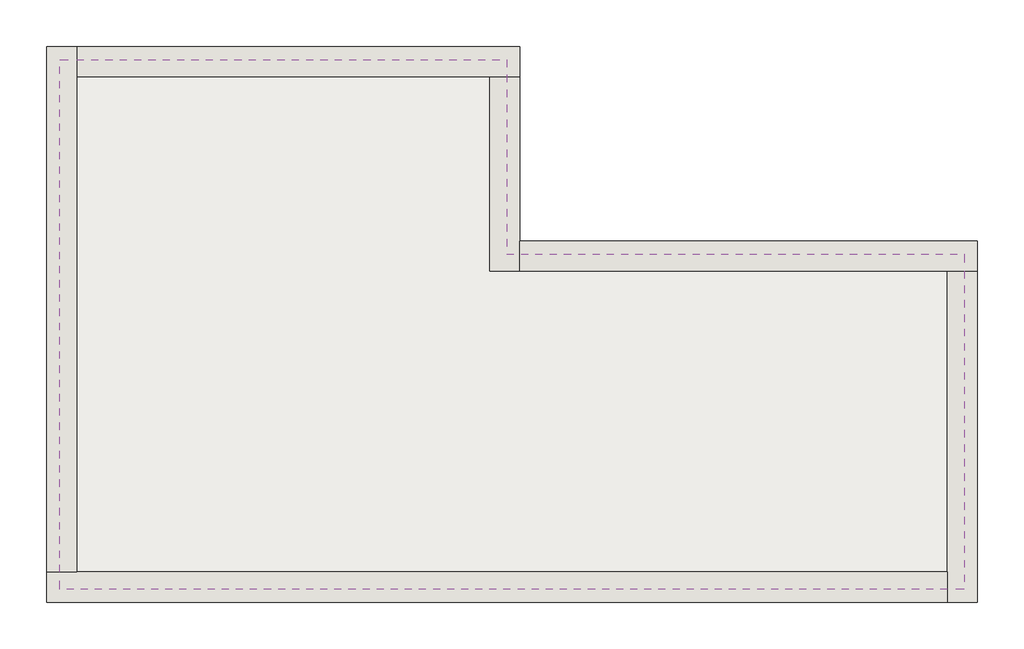
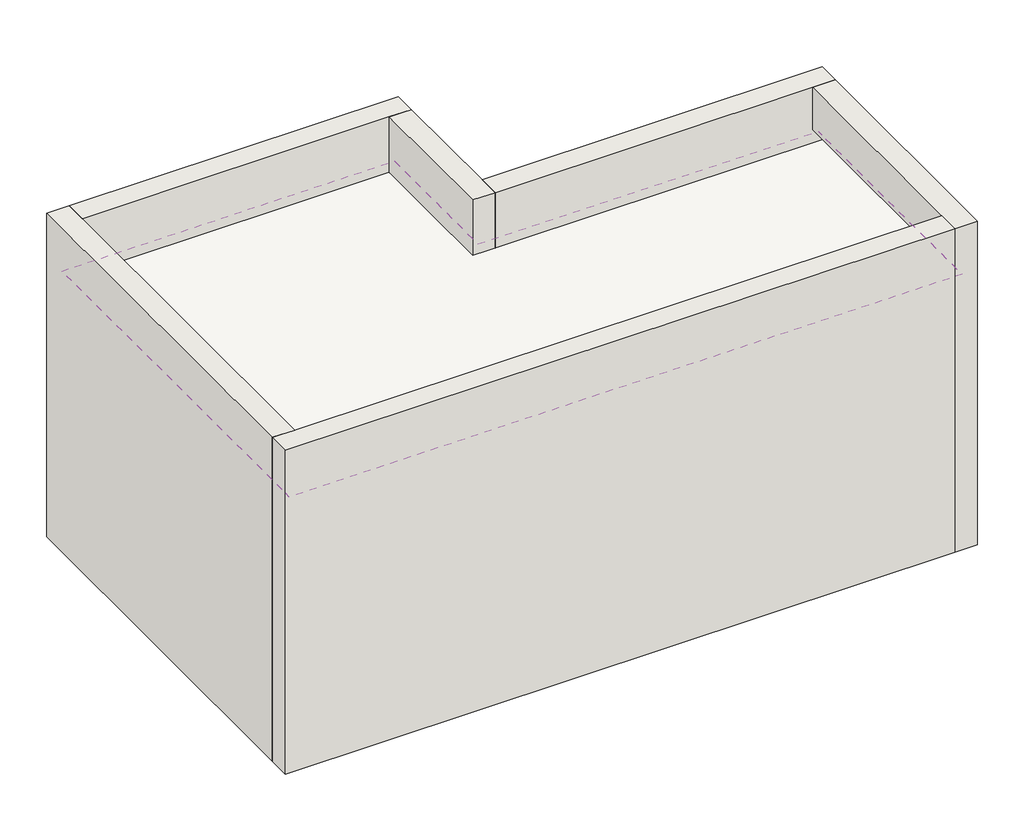
# Not in any storey: 6 walls, 3 slabs, 1 roof.
"""IFC4 building model written with IfcOpenShell, lengths in millimetres."""

import ifcopenshell
import ifcopenshell.guid

model = None  # the IFC model being written
_history = None  # IfcOwnerHistory: only IFC2X3 demands one
_inside = {}  # id of a spatial element -> (the spatial element, [elements in it])
_under = {}  # id of a project, library or spatial element -> (it, [spatial elements below it])
_declared = {}  # id of a project -> (the project, [libraries it declares])
_typed = {}  # id of a type object -> (the type object, [elements of that type])
_made_of = {}  # id of a material, layer set ... -> (it, [elements and type objects made of it])


def new_model(schema):
    """Start an empty IFC model of exactly this schema.

    Asked for "IFC4X3", IfcOpenShell would pick the latest addendum, in which some entities
    have other attributes; the version numbers below select the first issue.
    IFC2X3 requires an IfcOwnerHistory on every rooted entity: one is made here for all.
    """
    global model, _history
    if schema == "IFC4X3":
        model = ifcopenshell.file(schema_version=(4, 3, 0, 0))
    else:
        model = ifcopenshell.file(schema=schema)
    _inside.clear()
    _under.clear()
    _declared.clear()
    _typed.clear()
    _made_of.clear()
    _history = None
    if model.schema == "IFC2X3":
        org = make("IfcOrganization", Name="unknown")
        user = make(
            "IfcPersonAndOrganization",
            ThePerson=make("IfcPerson", FamilyName="unknown"),
            TheOrganization=org,
        )
        app = make(
            "IfcApplication",
            ApplicationDeveloper=org,
            Version="unknown",
            ApplicationFullName="unknown",
            ApplicationIdentifier="unknown",
        )
        _history = make(
            "IfcOwnerHistory",
            OwningUser=user,
            OwningApplication=app,
            ChangeAction="ADDED",
            CreationDate=0,
        )
    return model


def make(cls, **values):
    """One entity of the class cls with the attributes given. An attribute that is None is left unset."""
    return model.create_entity(
        cls, **{name: value for name, value in values.items() if value is not None}
    )


def rooted(cls, **values):
    """An entity with a GlobalId (a new one), such as an element, a storey or a relation."""
    return make(cls, GlobalId=ifcopenshell.guid.new(), OwnerHistory=_history, **values)


def si_unit(unit_type, name, prefix=None):
    """IfcSIUnit, for example si_unit("LENGTHUNIT", "METRE", prefix="MILLI")."""
    return make("IfcSIUnit", UnitType=unit_type, Prefix=prefix, Name=name)


def assignment(units):
    """IfcUnitAssignment: the units of a project."""
    return None if units is None else make("IfcUnitAssignment", Units=units)


def point(xyz):
    """IfcCartesianPoint."""
    return None if xyz is None else make("IfcCartesianPoint", Coordinates=xyz)


def direction(xyz):
    """IfcDirection."""
    return None if xyz is None else make("IfcDirection", DirectionRatios=xyz)


def frame(location, z_axis=None, x_axis=None):
    """IfcAxis2Placement3D, a coordinate frame: its origin and axes. An axis left out is left unset."""
    return make(
        "IfcAxis2Placement3D",
        Location=point(location),
        Axis=direction(z_axis),
        RefDirection=direction(x_axis),
    )


def origin():
    """The frame at (0, 0, 0) with its axes left unset."""
    return frame((0.0, 0.0, 0.0))


def place(relative_to, where):
    """IfcLocalPlacement: puts the frame where relative to a parent placement (None: the world)."""
    return make(
        "IfcLocalPlacement", PlacementRelTo=relative_to, RelativePlacement=where
    )


def context(
    kind, dimensions, precision=None, world=None, true_north=None, identifier=None
):
    """IfcGeometricRepresentationContext, for example the 3D "Model" context."""
    return make(
        "IfcGeometricRepresentationContext",
        ContextIdentifier=identifier,
        ContextType=kind,
        CoordinateSpaceDimension=dimensions,
        Precision=precision,
        WorldCoordinateSystem=world,
        TrueNorth=true_north,
    )


def project(units=None, contexts=None):
    """IfcProject with its units and contexts."""
    return rooted(
        "IfcProject",
        Name="project",
        RepresentationContexts=contexts,
        UnitsInContext=assignment(units),
    )


def spatial(cls, under=None, at=None, **own):
    """A site, building, storey or space (cls), placed at a placement, below another one or the project."""
    s = rooted(cls, ObjectPlacement=at, **own)
    if under is not None:
        _under.setdefault(under.id(), (under, []))[1].append(s)
    return s


def polyline(points):
    """IfcPolyline through the points."""
    return make("IfcPolyline", Points=[point(p) for p in points])


def outline(outer, holes=None, kind="AREA"):
    """IfcArbitraryClosedProfileDef: a profile drawn as a closed curve; with holes, ...WithVoids."""
    if holes is None:
        return make("IfcArbitraryClosedProfileDef", ProfileType=kind, OuterCurve=outer)
    return make(
        "IfcArbitraryProfileDefWithVoids",
        ProfileType=kind,
        OuterCurve=outer,
        InnerCurves=holes,
    )


def extrude(swept, where, along, depth):
    """IfcExtrudedAreaSolid: the profile swept, set in the frame where, extruded along a direction by depth."""
    return make(
        "IfcExtrudedAreaSolid",
        SweptArea=swept,
        Position=where,
        ExtrudedDirection=direction(along),
        Depth=depth,
    )


def faces_of(points, faces, orient=None, outer=None):
    """IfcFace entities. A face is a list of loops; a loop is a list of indices into points, from 0.

    orient and outer hold one flag for each loop. By default every Orientation is true, the
    first loop of a face is its IfcFaceOuterBound and the others are IfcFaceBound.
    """
    made = []
    for i, loops in enumerate(faces):
        bounds = []
        for j, loop in enumerate(loops):
            is_outer = j == 0 if outer is None else outer[i][j]
            bounds.append(
                make(
                    "IfcFaceOuterBound" if is_outer else "IfcFaceBound",
                    Bound=make("IfcPolyLoop", Polygon=[points[k] for k in loop]),
                    Orientation=True if orient is None else orient[i][j],
                )
            )
        made.append(make("IfcFace", Bounds=bounds))
    return made


def faceted_brep(points, faces, orient=None, outer=None, voids=None):
    """IfcFacetedBrep: a solid bounded by flat faces; with voids (closed shells), ...WithVoids."""
    shared = [point(p) for p in points]
    hull = make("IfcClosedShell", CfsFaces=faces_of(shared, faces, orient, outer))
    if voids is None:
        return make("IfcFacetedBrep", Outer=hull)
    return make(
        "IfcFacetedBrepWithVoids",
        Outer=hull,
        Voids=[
            make(cls, CfsFaces=faces_of(shared, fs, o, b)) for cls, fs, o, b in voids
        ],
    )


def shape(context_of_items, identifier, shape_type, items):
    """IfcShapeRepresentation: the items that make up one representation, for example the "Body"."""
    return make(
        "IfcShapeRepresentation",
        ContextOfItems=context_of_items,
        RepresentationIdentifier=identifier,
        RepresentationType=shape_type,
        Items=items,
    )


def made_of(thing, what):
    """Note that an element or type object is made of a material, layer set ...; save() writes the relation."""
    if what is not None:
        _made_of.setdefault(what.id(), (what, []))[1].append(thing)
    return thing


def element(
    cls,
    number,
    at=None,
    inside=None,
    cuts=None,
    type_object=None,
    material=None,
    context=None,
    identifier="Body",
    shape_type=None,
    held_by="IfcProductDefinitionShape",
    body=None,
    shapes=None,
    **own,
):
    """One element of the class cls, such as IfcWall. Its Tag is "e" and its number.

    at: its placement. inside: the storey or other place that contains it. cuts: it is an
    opening in that element (IfcRelVoidsElement). A single representation is given by context,
    identifier, shape_type and body (its items); several are given by shapes. held_by: the class
    of the entity that holds the representations. save() writes the other relations.
    """
    e = rooted(cls, Tag="e%d" % number, ObjectPlacement=at, **own)
    if body is not None:
        shapes = [shape(context, identifier, shape_type, body)]
    if shapes is not None:
        e.Representation = make(held_by, Representations=shapes)
    if inside is not None:
        _inside.setdefault(inside.id(), (inside, []))[1].append(e)
    if cuts is not None:
        rooted(
            "IfcRelVoidsElement", RelatingBuildingElement=cuts, RelatedOpeningElement=e
        )
    if type_object is not None:
        _typed.setdefault(type_object.id(), (type_object, []))[1].append(e)
    return made_of(e, material)


def aggregate(whole, parts):
    """IfcRelAggregates: a whole, such as a stair, and the parts it consists of."""
    return rooted("IfcRelAggregates", RelatingObject=whole, RelatedObjects=parts)


def save(model, path):
    """Write the relations noted so far, then the file.

    IfcRelAggregates (storeys below a building ...), IfcRelContainedInSpatialStructure (elements
    in a storey), IfcRelDefinesByType, IfcRelAssociatesMaterial and IfcRelDeclares: one each for
    every whole, place, type object, material and project.
    """
    for whole, parts in _under.values():
        aggregate(whole, parts)
    for where, things in _inside.values():
        rooted(
            "IfcRelContainedInSpatialStructure",
            RelatedElements=things,
            RelatingStructure=where,
        )
    for kind, things in _typed.values():
        rooted("IfcRelDefinesByType", RelatedObjects=things, RelatingType=kind)
    for what, things in _made_of.values():
        rooted("IfcRelAssociatesMaterial", RelatedObjects=things, RelatingMaterial=what)
    for by, libraries in _declared.values():
        rooted("IfcRelDeclares", RelatingContext=by, RelatedDefinitions=libraries)
    model.write(path)


model = new_model("IFC4")

# Units and contexts
model_context = context("Model", 3, world=origin())
ifc_project = project(units=[si_unit("LENGTHUNIT", "METRE", prefix="MILLI")], contexts=[model_context])

# Site, building
site = spatial("IfcSite", under=ifc_project)
building = spatial("IfcBuilding", under=site)

# Roof
placement = place(None, origin())
element("IfcRoof", 1, at=placement, inside=building, context=model_context, shape_type="Brep", body=[
    faceted_brep([(1263.7535563, 9638.7987776, 5800.0), (1523.7535563, 9638.7987776, 5800.0), (8063.7535563, 9638.7987776, 5800.0), (8063.7535563, 6678.7987776, 5800.0), (15023.7535563, 6678.7987776, 5800.0), (15023.7535563, 6418.7987776, 5800.0), (15023.7535563, 1578.7987776, 5800.0), (14763.7535563, 1578.7987776, 5800.0), (1263.7535563, 1578.7987776, 5800.0), (1263.7535563, 1838.7987776, 5800.0), (8063.7535563, 9638.7987776, 6080.0), (1523.7535563, 9638.7987776, 6080.0), (1263.7535563, 9638.7987776, 6080.0), (1263.7535563, 1838.7987776, 6080.0), (1263.7535563, 1578.7987776, 6080.0), (14763.7535563, 1578.7987776, 6080.0), (15023.7535563, 1578.7987776, 6080.0), (15023.7535563, 6418.7987776, 6080.0), (15023.7535563, 6678.7987776, 6080.0), (8063.7535563, 6678.7987776, 6080.0)], [[[0, 1, 2, 3, 4, 5, 6, 7, 8, 9]], [[10, 11, 12, 13, 14, 15, 16, 17, 18, 19]], [[12, 11, 10, 2, 1, 0]], [[14, 13, 12, 0, 9, 8]], [[16, 15, 14, 8, 7, 6]], [[18, 17, 16, 6, 5, 4]], [[19, 18, 4, 3]], [[10, 19, 3, 2]]]),
])

# Slabs
element("IfcSlab", 2, ObjectType="FB 200 leer", at=placement, inside=building, context=model_context, shape_type="SweptSolid", body=[
    extrude(outline(polyline([(1523.7535563, 9378.7987776), (7803.7535563, 9378.7987776), (7803.7535563, 6418.7987776), (14763.7535563, 6418.7987776), (14763.7535563, 1838.7987776), (1523.7535563, 1838.7987776), (1523.7535563, 9378.7987776)])), frame((0.0, 0.0, 2800.0), z_axis=(0.0, 0.0, 1.0), x_axis=(1.0, 0.0, 0.0)), (0.0, 0.0, 1.0), 200.0),
])
element("IfcSlab", 3, ObjectType="STB 200", at=placement, inside=building, context=model_context, shape_type="Brep", body=[
    faceted_brep([(1223.7535563, 9678.7987776, 5600.0), (1523.7535563, 9678.7987776, 5600.0), (8103.7535563, 9678.7987776, 5600.0), (8103.7535563, 9378.7987776, 5600.0), (8103.7535563, 6718.7987776, 5600.0), (8263.7535563, 6718.7987776, 5600.0), (15063.7535563, 6718.7987776, 5600.0), (15063.7535563, 6418.7987776, 5600.0), (15063.7535563, 1538.7987776, 5600.0), (14763.7535563, 1538.7987776, 5600.0), (1223.7535563, 1538.7987776, 5600.0), (1223.7535563, 1838.7987776, 5600.0), (1223.7535563, 9678.7987776, 5800.0), (1223.7535563, 1838.7987776, 5800.0), (1223.7535563, 1538.7987776, 5800.0), (14763.7535563, 1538.7987776, 5800.0), (15063.7535563, 1538.7987776, 5800.0), (15063.7535563, 6418.7987776, 5800.0), (15063.7535563, 6718.7987776, 5800.0), (8263.7535563, 6718.7987776, 5800.0), (8103.7535563, 6718.7987776, 5800.0), (8103.7535563, 9378.7987776, 5800.0), (8103.7535563, 9678.7987776, 5800.0), (1523.7535563, 9678.7987776, 5800.0)], [[[0, 1, 2, 3, 4, 5, 6, 7, 8, 9, 10, 11]], [[12, 13, 14, 15, 16, 17, 18, 19, 20, 21, 22, 23]], [[2, 1, 0, 12, 23, 22]], [[4, 3, 2, 22, 21, 20]], [[6, 5, 4, 20, 19, 18]], [[8, 7, 6, 18, 17, 16]], [[10, 9, 8, 16, 15, 14]], [[0, 11, 10, 14, 13, 12]]]),
])
element("IfcSlab", 4, ObjectType="STB 200", at=placement, inside=building, context=model_context, shape_type="Brep", body=[
    faceted_brep([(1223.7535563, 9678.7987776, 2600.0), (1523.7535563, 9678.7987776, 2600.0), (8103.7535563, 9678.7987776, 2600.0), (8103.7535563, 6718.7987776, 2600.0), (15063.7535563, 6718.7987776, 2600.0), (15063.7535563, 6418.7987776, 2600.0), (15063.7535563, 1538.7987776, 2600.0), (14763.7535563, 1538.7987776, 2600.0), (1223.7535563, 1538.7987776, 2600.0), (1223.7535563, 1838.7987776, 2600.0), (1223.7535563, 9678.7987776, 2800.0), (1223.7535563, 1838.7987776, 2800.0), (1223.7535563, 1538.7987776, 2800.0), (14763.7535563, 1538.7987776, 2800.0), (15063.7535563, 1538.7987776, 2800.0), (15063.7535563, 6418.7987776, 2800.0), (15063.7535563, 6718.7987776, 2800.0), (8103.7535563, 6718.7987776, 2800.0), (8103.7535563, 9678.7987776, 2800.0), (1523.7535563, 9678.7987776, 2800.0)], [[[0, 1, 2, 3, 4, 5, 6, 7, 8, 9]], [[10, 11, 12, 13, 14, 15, 16, 17, 18, 19]], [[2, 1, 0, 10, 19, 18]], [[3, 2, 18, 17]], [[4, 3, 17, 16]], [[6, 5, 4, 16, 15, 14]], [[8, 7, 6, 14, 13, 12]], [[0, 9, 8, 12, 11, 10]]]),
])

# Walls
element("IfcWall", 5, at=placement, inside=building, context=model_context, shape_type="Brep", body=[
    faceted_brep([(1523.7535563, 1838.7987776, 0.0), (1523.7535563, 9378.7987776, 0.0), (1523.7535563, 9838.7987776, 0.0), (1523.7535563, 9838.7987776, 7000.0), (1523.7535563, 9378.7987776, 7000.0), (1523.7535563, 1838.7987776, 7000.0), (1523.7535563, 1838.7987776, 6080.0), (1523.7535563, 9638.7987776, 6080.0), (1523.7535563, 9638.7987776, 5800.0), (1523.7535563, 9678.7987776, 5800.0), (1523.7535563, 9678.7987776, 5600.0), (1523.7535563, 9378.7987776, 5600.0), (1523.7535563, 1838.7987776, 5600.0), (1523.7535563, 1838.7987776, 3000.0), (1523.7535563, 1838.7987776, 2800.0), (1523.7535563, 9378.7987776, 2800.0), (1523.7535563, 9678.7987776, 2800.0), (1523.7535563, 9678.7987776, 2600.0), (1523.7535563, 1838.7987776, 2600.0), (1063.7535563, 9838.7987776, 0.0), (1063.7535563, 1838.7987776, 0.0), (1063.7535563, 1838.7987776, 7000.0), (1063.7535563, 9838.7987776, 7000.0), (1223.7535563, 1838.7987776, 2600.0), (1223.7535563, 1838.7987776, 2800.0), (1223.7535563, 1838.7987776, 5600.0), (1223.7535563, 1838.7987776, 5800.0), (1263.7535563, 1838.7987776, 5800.0), (1263.7535563, 1838.7987776, 6080.0), (1263.7535563, 9638.7987776, 6080.0), (1263.7535563, 9638.7987776, 5800.0), (1223.7535563, 9678.7987776, 5600.0), (1223.7535563, 9678.7987776, 5800.0), (1223.7535563, 9678.7987776, 2600.0), (1223.7535563, 9678.7987776, 2800.0)], [[[0, 1, 2, 3, 4, 5, 6, 7, 8, 9, 10, 11, 12, 13, 14, 15, 16, 17, 18]], [[19, 20, 21, 22]], [[2, 1, 0, 20, 19]], [[5, 4, 3, 22, 21]], [[3, 2, 19, 22]], [[5, 21, 20, 0, 18, 23, 24, 14, 13, 12, 25, 26, 27, 28, 6]], [[28, 29, 7, 6]], [[29, 30, 8, 7]], [[30, 29, 28, 27]], [[31, 25, 12, 11, 10]], [[32, 9, 8, 30, 27, 26]], [[32, 31, 10, 9]], [[31, 32, 26, 25]], [[33, 23, 18, 17]], [[34, 16, 15, 14, 24]], [[34, 33, 17, 16]], [[33, 34, 24, 23]]]),
])
element("IfcWall", 6, at=placement, inside=building, context=model_context, shape_type="Brep", body=[
    faceted_brep([(1523.7535563, 9378.7987776, 0.0), (7803.7535563, 9378.7987776, 0.0), (8263.7535563, 9378.7987776, 0.0), (8263.7535563, 9378.7987776, 7000.0), (7803.7535563, 9378.7987776, 7000.0), (1523.7535563, 9378.7987776, 7000.0), (1523.7535563, 9378.7987776, 5800.0), (7803.7535563, 9378.7987776, 5800.0), (8103.7535563, 9378.7987776, 5800.0), (8103.7535563, 9378.7987776, 5600.0), (7803.7535563, 9378.7987776, 5600.0), (1523.7535563, 9378.7987776, 5600.0), (8263.7535563, 9838.7987776, 0.0), (1523.7535563, 9838.7987776, 0.0), (1523.7535563, 9838.7987776, 7000.0), (8263.7535563, 9838.7987776, 7000.0), (1523.7535563, 9678.7987776, 5600.0), (1523.7535563, 9678.7987776, 5800.0), (1523.7535563, 9638.7987776, 5800.0), (8103.7535563, 9678.7987776, 5600.0), (8103.7535563, 9678.7987776, 5800.0)], [[[0, 1, 2, 3, 4, 5, 6, 7, 8, 9, 10, 11]], [[12, 13, 14, 15]], [[2, 1, 0, 13, 12]], [[5, 4, 3, 15, 14]], [[5, 14, 13, 0, 11, 16, 17, 18, 6]], [[3, 2, 12, 15]], [[9, 19, 16, 11, 10]], [[17, 20, 8, 7, 6, 18]], [[19, 20, 17, 16]], [[20, 19, 9, 8]]]),
])
element("IfcWall", 7, at=placement, inside=building, context=model_context, shape_type="Brep", body=[
    faceted_brep([(7803.7535563, 9378.7987776, 0.0), (7803.7535563, 6418.7987776, 0.0), (7803.7535563, 6418.7987776, 5600.0), (7803.7535563, 9378.7987776, 5600.0), (7803.7535563, 6418.7987776, 7000.0), (7803.7535563, 9378.7987776, 7000.0), (7803.7535563, 9378.7987776, 5800.0), (7803.7535563, 6418.7987776, 5800.0), (8263.7535563, 6418.7987776, 0.0), (8263.7535563, 6878.7987776, 0.0), (8263.7535563, 9378.7987776, 0.0), (8263.7535563, 9378.7987776, 7000.0), (8263.7535563, 6878.7987776, 7000.0), (8263.7535563, 6418.7987776, 7000.0), (8263.7535563, 6418.7987776, 5800.0), (8263.7535563, 6718.7987776, 5800.0), (8263.7535563, 6718.7987776, 5600.0), (8263.7535563, 6418.7987776, 5600.0), (8103.7535563, 9378.7987776, 5600.0), (8103.7535563, 9378.7987776, 5800.0), (8103.7535563, 6718.7987776, 5600.0), (8103.7535563, 6718.7987776, 5800.0)], [[[0, 1, 2, 3]], [[4, 5, 6, 7]], [[8, 9, 10, 11, 12, 13, 14, 15, 16, 17]], [[1, 0, 10, 9, 8]], [[5, 4, 13, 12, 11]], [[5, 11, 10, 0, 3, 18, 19, 6]], [[1, 8, 17, 2]], [[13, 4, 7, 14]], [[16, 20, 18, 3, 2, 17]], [[19, 21, 15, 14, 7, 6]], [[20, 21, 19, 18]], [[21, 20, 16, 15]]]),
])
element("IfcWall", 8, at=placement, inside=building, context=model_context, shape_type="Brep", body=[
    faceted_brep([(8263.7535563, 6418.7987776, 0.0), (14763.7535563, 6418.7987776, 0.0), (15223.7535563, 6418.7987776, 0.0), (15223.7535563, 6418.7987776, 7000.0), (14763.7535563, 6418.7987776, 7000.0), (8263.7535563, 6418.7987776, 7000.0), (8263.7535563, 6418.7987776, 5800.0), (15023.7535563, 6418.7987776, 5800.0), (15063.7535563, 6418.7987776, 5800.0), (15063.7535563, 6418.7987776, 5600.0), (14763.7535563, 6418.7987776, 5600.0), (8263.7535563, 6418.7987776, 5600.0), (15223.7535563, 6878.7987776, 0.0), (8263.7535563, 6878.7987776, 0.0), (8263.7535563, 6878.7987776, 7000.0), (15223.7535563, 6878.7987776, 7000.0), (8263.7535563, 6718.7987776, 5600.0), (8263.7535563, 6718.7987776, 5800.0), (15063.7535563, 6718.7987776, 5600.0), (15063.7535563, 6718.7987776, 5800.0)], [[[0, 1, 2, 3, 4, 5, 6, 7, 8, 9, 10, 11]], [[12, 13, 14, 15]], [[2, 1, 0, 13, 12]], [[5, 4, 3, 15, 14]], [[5, 14, 13, 0, 11, 16, 17, 6]], [[3, 2, 12, 15]], [[9, 18, 16, 11, 10]], [[17, 19, 8, 7, 6]], [[18, 19, 17, 16]], [[19, 18, 9, 8]]]),
])
element("IfcWall", 9, at=placement, inside=building, context=model_context, shape_type="Brep", body=[
    faceted_brep([(14763.7535563, 6418.7987776, 0.0), (14763.7535563, 1838.7987776, 0.0), (14763.7535563, 1378.7987776, 0.0), (14763.7535563, 1378.7987776, 7000.0), (14763.7535563, 1838.7987776, 7000.0), (14763.7535563, 6418.7987776, 7000.0), (14763.7535563, 6418.7987776, 6080.0), (14763.7535563, 1578.7987776, 6080.0), (14763.7535563, 1578.7987776, 5800.0), (14763.7535563, 1538.7987776, 5800.0), (14763.7535563, 1538.7987776, 5600.0), (14763.7535563, 1838.7987776, 5600.0), (14763.7535563, 6418.7987776, 5600.0), (14763.7535563, 6418.7987776, 2800.0), (14763.7535563, 1538.7987776, 2800.0), (14763.7535563, 1538.7987776, 2600.0), (14763.7535563, 6418.7987776, 2600.0), (15223.7535563, 1378.7987776, 0.0), (15223.7535563, 6418.7987776, 0.0), (15223.7535563, 6418.7987776, 7000.0), (15223.7535563, 1378.7987776, 7000.0), (15063.7535563, 6418.7987776, 2600.0), (15063.7535563, 6418.7987776, 2800.0), (15063.7535563, 6418.7987776, 5600.0), (15063.7535563, 6418.7987776, 5800.0), (15023.7535563, 6418.7987776, 5800.0), (15023.7535563, 6418.7987776, 6080.0), (15023.7535563, 1578.7987776, 6080.0), (15023.7535563, 1578.7987776, 5800.0), (15063.7535563, 1538.7987776, 5600.0), (15063.7535563, 1538.7987776, 5800.0), (15063.7535563, 1538.7987776, 2600.0), (15063.7535563, 1538.7987776, 2800.0)], [[[0, 1, 2, 3, 4, 5, 6, 7, 8, 9, 10, 11, 12, 13, 14, 15, 16]], [[17, 18, 19, 20]], [[2, 1, 0, 18, 17]], [[5, 4, 3, 20, 19]], [[5, 19, 18, 0, 16, 21, 22, 13, 12, 23, 24, 25, 26, 6]], [[3, 2, 17, 20]], [[26, 27, 7, 6]], [[27, 28, 8, 7]], [[28, 27, 26, 25]], [[10, 29, 23, 12, 11]], [[24, 30, 9, 8, 28, 25]], [[29, 30, 24, 23]], [[30, 29, 10, 9]], [[15, 31, 21, 16]], [[22, 32, 14, 13]], [[31, 32, 22, 21]], [[32, 31, 15, 14]]]),
])
element("IfcWall", 10, at=placement, inside=building, context=model_context, shape_type="Brep", body=[
    faceted_brep([(14763.7535563, 1838.7987776, 0.0), (1523.7535563, 1838.7987776, 0.0), (1063.7535563, 1838.7987776, 0.0), (1063.7535563, 1838.7987776, 7000.0), (1523.7535563, 1838.7987776, 7000.0), (14763.7535563, 1838.7987776, 7000.0), (14763.7535563, 1838.7987776, 5800.0), (1263.7535563, 1838.7987776, 5800.0), (1223.7535563, 1838.7987776, 5800.0), (1223.7535563, 1838.7987776, 5600.0), (1523.7535563, 1838.7987776, 5600.0), (14763.7535563, 1838.7987776, 5600.0), (1063.7535563, 1378.7987776, 0.0), (14763.7535563, 1378.7987776, 0.0), (14763.7535563, 1378.7987776, 7000.0), (1063.7535563, 1378.7987776, 7000.0), (14763.7535563, 1538.7987776, 5600.0), (14763.7535563, 1538.7987776, 5800.0), (14763.7535563, 1578.7987776, 5800.0), (1223.7535563, 1538.7987776, 5600.0), (1223.7535563, 1538.7987776, 5800.0)], [[[0, 1, 2, 3, 4, 5, 6, 7, 8, 9, 10, 11]], [[12, 13, 14, 15]], [[2, 1, 0, 13, 12]], [[5, 4, 3, 15, 14]], [[5, 14, 13, 0, 11, 16, 17, 18, 6]], [[3, 2, 12, 15]], [[9, 19, 16, 11, 10]], [[17, 20, 8, 7, 6, 18]], [[19, 20, 17, 16]], [[20, 19, 9, 8]]]),
])

save(model, "model.ifc")
